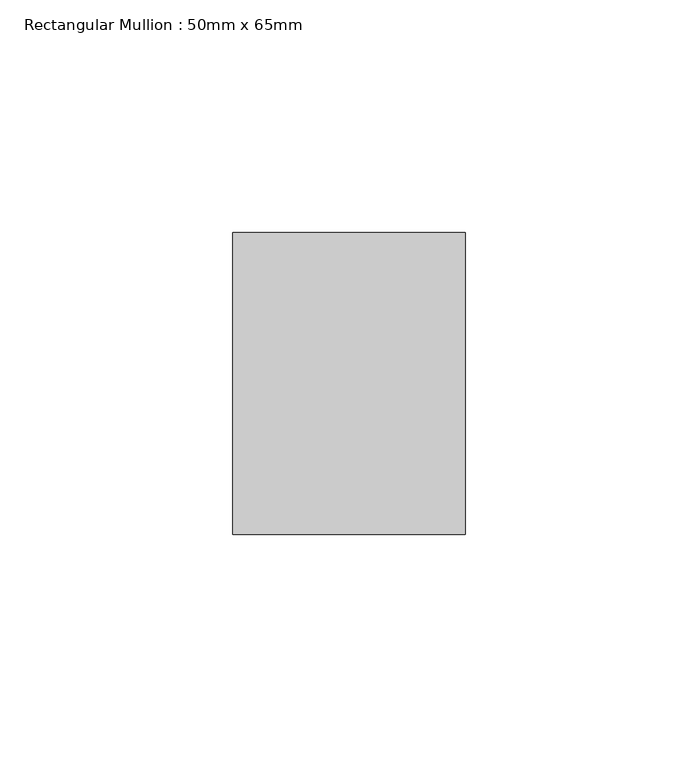
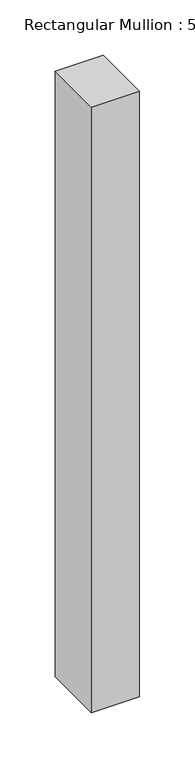
"""IFC4 building model written with IfcOpenShell, lengths in millimetres: member geometry, Rectangular Mullion : 50mm x 65mm."""

import ifcopenshell
import ifcopenshell.guid

model = None  # the IFC model being written
_history = None  # IfcOwnerHistory: only IFC2X3 demands one
_inside = {}  # id of a spatial element -> (the spatial element, [elements in it])
_under = {}  # id of a project, library or spatial element -> (it, [spatial elements below it])
_declared = {}  # id of a project -> (the project, [libraries it declares])
_typed = {}  # id of a type object -> (the type object, [elements of that type])
_made_of = {}  # id of a material, layer set ... -> (it, [elements and type objects made of it])


def new_model(schema):
    """Start an empty IFC model of exactly this schema.

    Asked for "IFC4X3", IfcOpenShell would pick the latest addendum, in which some entities
    have other attributes; the version numbers below select the first issue.
    IFC2X3 requires an IfcOwnerHistory on every rooted entity: one is made here for all.
    """
    global model, _history
    if schema == "IFC4X3":
        model = ifcopenshell.file(schema_version=(4, 3, 0, 0))
    else:
        model = ifcopenshell.file(schema=schema)
    _inside.clear()
    _under.clear()
    _declared.clear()
    _typed.clear()
    _made_of.clear()
    _history = None
    if model.schema == "IFC2X3":
        org = make("IfcOrganization", Name="unknown")
        user = make(
            "IfcPersonAndOrganization",
            ThePerson=make("IfcPerson", FamilyName="unknown"),
            TheOrganization=org,
        )
        app = make(
            "IfcApplication",
            ApplicationDeveloper=org,
            Version="unknown",
            ApplicationFullName="unknown",
            ApplicationIdentifier="unknown",
        )
        _history = make(
            "IfcOwnerHistory",
            OwningUser=user,
            OwningApplication=app,
            ChangeAction="ADDED",
            CreationDate=0,
        )
    return model


def make(cls, **values):
    """One entity of the class cls with the attributes given. An attribute that is None is left unset."""
    return model.create_entity(
        cls, **{name: value for name, value in values.items() if value is not None}
    )


def rooted(cls, **values):
    """An entity with a GlobalId (a new one), such as an element, a storey or a relation."""
    return make(cls, GlobalId=ifcopenshell.guid.new(), OwnerHistory=_history, **values)


def si_unit(unit_type, name, prefix=None):
    """IfcSIUnit, for example si_unit("LENGTHUNIT", "METRE", prefix="MILLI")."""
    return make("IfcSIUnit", UnitType=unit_type, Prefix=prefix, Name=name)


def assignment(units):
    """IfcUnitAssignment: the units of a project."""
    return None if units is None else make("IfcUnitAssignment", Units=units)


def point(xyz):
    """IfcCartesianPoint."""
    return None if xyz is None else make("IfcCartesianPoint", Coordinates=xyz)


def direction(xyz):
    """IfcDirection."""
    return None if xyz is None else make("IfcDirection", DirectionRatios=xyz)


def frame(location, z_axis=None, x_axis=None):
    """IfcAxis2Placement3D, a coordinate frame: its origin and axes. An axis left out is left unset."""
    return make(
        "IfcAxis2Placement3D",
        Location=point(location),
        Axis=direction(z_axis),
        RefDirection=direction(x_axis),
    )


def origin():
    """The frame at (0, 0, 0) with its axes left unset."""
    return frame((0.0, 0.0, 0.0))


def place(relative_to, where):
    """IfcLocalPlacement: puts the frame where relative to a parent placement (None: the world)."""
    return make(
        "IfcLocalPlacement", PlacementRelTo=relative_to, RelativePlacement=where
    )


def context(
    kind, dimensions, precision=None, world=None, true_north=None, identifier=None
):
    """IfcGeometricRepresentationContext, for example the 3D "Model" context."""
    return make(
        "IfcGeometricRepresentationContext",
        ContextIdentifier=identifier,
        ContextType=kind,
        CoordinateSpaceDimension=dimensions,
        Precision=precision,
        WorldCoordinateSystem=world,
        TrueNorth=true_north,
    )


def project(units=None, contexts=None):
    """IfcProject with its units and contexts."""
    return rooted(
        "IfcProject",
        Name="project",
        RepresentationContexts=contexts,
        UnitsInContext=assignment(units),
    )


def spatial(cls, under=None, at=None, **own):
    """A site, building, storey or space (cls), placed at a placement, below another one or the project."""
    s = rooted(cls, ObjectPlacement=at, **own)
    if under is not None:
        _under.setdefault(under.id(), (under, []))[1].append(s)
    return s


def polyline(points):
    """IfcPolyline through the points."""
    return make("IfcPolyline", Points=[point(p) for p in points])


def outline(outer, holes=None, kind="AREA"):
    """IfcArbitraryClosedProfileDef: a profile drawn as a closed curve; with holes, ...WithVoids."""
    if holes is None:
        return make("IfcArbitraryClosedProfileDef", ProfileType=kind, OuterCurve=outer)
    return make(
        "IfcArbitraryProfileDefWithVoids",
        ProfileType=kind,
        OuterCurve=outer,
        InnerCurves=holes,
    )


def extrude(swept, where, along, depth):
    """IfcExtrudedAreaSolid: the profile swept, set in the frame where, extruded along a direction by depth."""
    return make(
        "IfcExtrudedAreaSolid",
        SweptArea=swept,
        Position=where,
        ExtrudedDirection=direction(along),
        Depth=depth,
    )


def shape(context_of_items, identifier, shape_type, items):
    """IfcShapeRepresentation: the items that make up one representation, for example the "Body"."""
    return make(
        "IfcShapeRepresentation",
        ContextOfItems=context_of_items,
        RepresentationIdentifier=identifier,
        RepresentationType=shape_type,
        Items=items,
    )


def source(mapping_origin, context_of_items, identifier, shape_type, items):
    """IfcRepresentationMap: a shape defined once, which mapped items show again and again."""
    return make(
        "IfcRepresentationMap",
        MappingOrigin=mapping_origin,
        MappedRepresentation=shape(context_of_items, identifier, shape_type, items),
    )


def transform(
    local_origin,
    x_axis=None,
    y_axis=None,
    z_axis=None,
    scale=None,
    scale2=None,
    scale3=None,
    uniform=True,
):
    """IfcCartesianTransformationOperator3D, or its non-uniform kind. x_axis, y_axis, z_axis: its Axis1, 2, 3."""
    if uniform:
        return make(
            "IfcCartesianTransformationOperator3D",
            Axis1=direction(x_axis),
            Axis2=direction(y_axis),
            LocalOrigin=point(local_origin),
            Scale=scale,
            Axis3=direction(z_axis),
        )
    return make(
        "IfcCartesianTransformationOperator3DnonUniform",
        Axis1=direction(x_axis),
        Axis2=direction(y_axis),
        LocalOrigin=point(local_origin),
        Scale=scale,
        Axis3=direction(z_axis),
        Scale2=scale2,
        Scale3=scale3,
    )


def mapped(mapping_source, mapping_target):
    """IfcMappedItem: shows the shape of a source again, moved by a transform."""
    return make(
        "IfcMappedItem", MappingSource=mapping_source, MappingTarget=mapping_target
    )


def made_of(thing, what):
    """Note that an element or type object is made of a material, layer set ...; save() writes the relation."""
    if what is not None:
        _made_of.setdefault(what.id(), (what, []))[1].append(thing)
    return thing


def element(
    cls,
    number,
    at=None,
    inside=None,
    cuts=None,
    type_object=None,
    material=None,
    context=None,
    identifier="Body",
    shape_type=None,
    held_by="IfcProductDefinitionShape",
    body=None,
    shapes=None,
    **own,
):
    """One element of the class cls, such as IfcWall. Its Tag is "e" and its number.

    at: its placement. inside: the storey or other place that contains it. cuts: it is an
    opening in that element (IfcRelVoidsElement). A single representation is given by context,
    identifier, shape_type and body (its items); several are given by shapes. held_by: the class
    of the entity that holds the representations. save() writes the other relations.
    """
    e = rooted(cls, Tag="e%d" % number, ObjectPlacement=at, **own)
    if body is not None:
        shapes = [shape(context, identifier, shape_type, body)]
    if shapes is not None:
        e.Representation = make(held_by, Representations=shapes)
    if inside is not None:
        _inside.setdefault(inside.id(), (inside, []))[1].append(e)
    if cuts is not None:
        rooted(
            "IfcRelVoidsElement", RelatingBuildingElement=cuts, RelatedOpeningElement=e
        )
    if type_object is not None:
        _typed.setdefault(type_object.id(), (type_object, []))[1].append(e)
    return made_of(e, material)


def aggregate(whole, parts):
    """IfcRelAggregates: a whole, such as a stair, and the parts it consists of."""
    return rooted("IfcRelAggregates", RelatingObject=whole, RelatedObjects=parts)


def save(model, path):
    """Write the relations noted so far, then the file.

    IfcRelAggregates (storeys below a building ...), IfcRelContainedInSpatialStructure (elements
    in a storey), IfcRelDefinesByType, IfcRelAssociatesMaterial and IfcRelDeclares: one each for
    every whole, place, type object, material and project.
    """
    for whole, parts in _under.values():
        aggregate(whole, parts)
    for where, things in _inside.values():
        rooted(
            "IfcRelContainedInSpatialStructure",
            RelatedElements=things,
            RelatingStructure=where,
        )
    for kind, things in _typed.values():
        rooted("IfcRelDefinesByType", RelatedObjects=things, RelatingType=kind)
    for what, things in _made_of.values():
        rooted("IfcRelAssociatesMaterial", RelatedObjects=things, RelatingMaterial=what)
    for by, libraries in _declared.values():
        rooted("IfcRelDeclares", RelatingContext=by, RelatedDefinitions=libraries)
    model.write(path)


def rectangular_mullion_50mm_x_65mm_3055788e(model_context):
    return source(origin(), model_context, "Body", "SweptSolid", [
        extrude(outline(polyline([(25.0, 32.5), (25.0, -32.5), (-25.0, -32.5), (-25.0, 32.5), (25.0, 32.5)])), frame((0.0, 0.0, -667.5403211), z_axis=(0.0, 0.0, 1.0), x_axis=(1.0, 0.0, 0.0)), (0.0, 0.0, 1.0), 667.5403211),
    ])


if __name__ == "__main__":
    model = new_model("IFC4")
    model_context = context("Model", 3, world=origin())
    ifc_project = project(units=[si_unit("LENGTHUNIT", "METRE", prefix="MILLI")], contexts=[model_context])
    site = spatial("IfcSite", under=ifc_project)
    building = spatial("IfcBuilding", under=site)
    placement = place(None, origin())
    rectangular_mullion_50mm_x_65mm_shape = rectangular_mullion_50mm_x_65mm_3055788e(model_context)
    element("IfcMember", 1, ObjectType="Rectangular Mullion : 50mm x 65mm", at=placement, inside=building, context=model_context, shape_type="MappedRepresentation", body=[
        mapped(rectangular_mullion_50mm_x_65mm_shape, transform((0.0, 0.0, 0.0), x_axis=(1.0, 0.0, 0.0), y_axis=(0.0, 1.0, 0.0), z_axis=(0.0, 0.0, 1.0))),
    ])
    save(model, "model.ifc")
